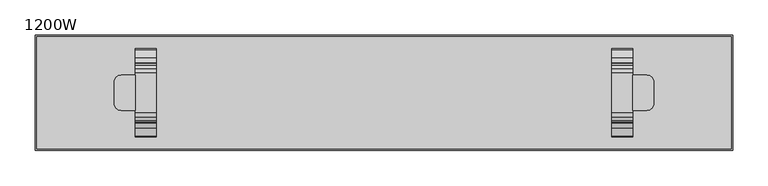
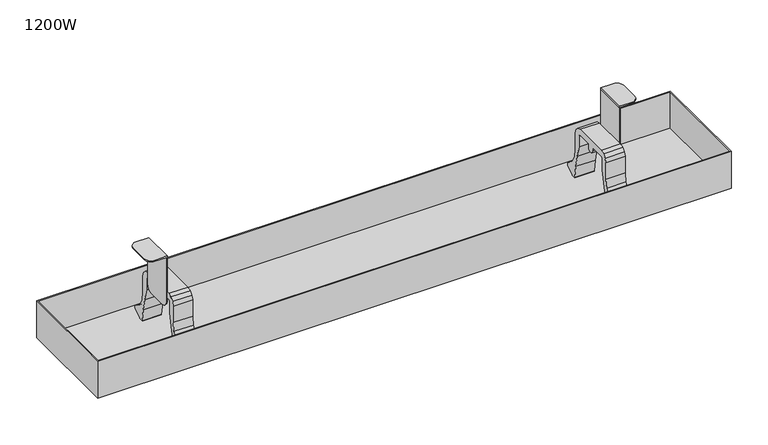
"""IFC4 building model written with IfcOpenShell, lengths in millimetres: furniture geometry, 1200W."""

from ifc_helpers import new_model, si_unit, point, frame, frame_2d, origin, place, context, project, spatial, polyline, circle_curve, trimmed, segment, composite_curve, outline, extrude, faceted_brep, source, transform, mapped, element, save
from ifc_brep_helpers import plane_surface, cylinder_surface, advanced_brep


def furniture_1200w_93fec7a2(model_context):
    return source(origin(), model_context, "Body", "SolidModel", [
        extrude(outline(composite_curve([segment(polyline([(28.25, 655.6089449), (34.75, 653.8672752), (39.5083302, 649.1089449), (41.25, 642.6089449), (41.25, 615.6089449), (42.9555126, 601.8121279), (49.9457921, 589.7956007), (61.0960118, 581.4929784), (62.5288578, 580.072514), (62.737976, 578.0657663), (61.6287805, 576.3804021), (49.988664, 567.6162242), (49.988664, 564.2297166), (51.9354374, 563.6484872), (53.2695938, 561.9968693), (53.406724, 559.8781409), (52.2966018, 558.0683222), (42.3770369, 549.4873279)]), True, "CONTINUOUS"), segment(trimmed(circle_curve(frame_2d((41.6448692, 550.1324462)), 0.9758316), [point((42.3770369, 549.4873279))], [point((40.6690514, 550.1272622))], False, "CARTESIAN"), True, "CONTINUOUS"), segment(polyline([(40.6690514, 550.1272622), (40.6597451, 551.8790344), (40.8692786, 553.618255), (41.2943712, 555.3176928), (41.9578918, 557.08863), (42.988664, 559.1689888), (42.988664, 567.673425), (39.9005757, 587.3273398), (36.0103541, 606.457322), (31.25, 625.5024109), (31.25, 642.6089449), (30.8480762, 644.1089449), (29.75, 645.2070212), (28.25, 645.6089449), (5.75, 645.6089449), (5.75, 640.6089449), (4.6518477, 637.2291797), (1.7768477, 635.14037), (-1.7768477, 635.14037), (-4.6518477, 637.2291797), (-5.75, 640.6089449), (-5.75, 645.6089449), (-28.25, 645.6089449), (-29.75, 645.2070212), (-30.8480762, 644.1089449), (-31.25, 642.6089449), (-31.25, 625.5024109), (-36.0103541, 606.457322), (-39.9005757, 587.3273398), (-42.988664, 567.673425), (-42.988664, 559.1689888), (-41.9578918, 557.08863), (-41.2943712, 555.3176928), (-40.8692786, 553.618255), (-40.6597451, 551.8790344), (-40.6690514, 550.1272622)]), True, "CONTINUOUS"), segment(trimmed(circle_curve(frame_2d((-41.6448692, 550.1324462)), 0.9758316), [point((-40.6690514, 550.1272622))], [point((-42.3770369, 549.4873279))], False, "CARTESIAN"), True, "CONTINUOUS"), segment(polyline([(-42.3770369, 549.4873279), (-52.2966018, 558.0683222), (-53.406724, 559.8781409), (-53.2695938, 561.9968693), (-51.9354374, 563.6484872), (-49.988664, 564.2297166), (-49.988664, 567.6162242), (-61.6287805, 576.3804021), (-62.737976, 578.0657663), (-62.5288578, 580.072514), (-61.0960118, 581.4929784), (-49.9457921, 589.7956007), (-42.9555126, 601.8121279), (-41.25, 615.6089449), (-41.25, 642.6089449), (-39.5083302, 649.1089449), (-34.75, 653.8672752), (-28.25, 655.6089449), (28.25, 655.6089449)]), True, "CONTINUOUS")], self_intersect=False)), frame((323.0, 0.0, 0.0), z_axis=(1.0, 0.0, 0.0), x_axis=(0.0, 1.0, 0.0)), (0.0, 0.0, 1.0), 30.0),
        extrude(outline(composite_curve([segment(polyline([(28.25, 655.6089449), (34.75, 653.8672752), (39.5083302, 649.1089449), (41.25, 642.6089449), (41.25, 615.6089449), (42.9555126, 601.8121279), (49.9457921, 589.7956007), (61.0960118, 581.4929784), (62.5288578, 580.072514), (62.737976, 578.0657663), (61.6287805, 576.3804021), (49.988664, 567.6162242), (49.988664, 564.2297166), (51.9354374, 563.6484872), (53.2695938, 561.9968693), (53.406724, 559.8781409), (52.2966018, 558.0683222), (42.3770369, 549.4873279)]), True, "CONTINUOUS"), segment(trimmed(circle_curve(frame_2d((41.6448692, 550.1324462)), 0.9758316), [point((42.3770369, 549.4873279))], [point((40.6690514, 550.1272622))], False, "CARTESIAN"), True, "CONTINUOUS"), segment(polyline([(40.6690514, 550.1272622), (40.6597451, 551.8790344), (40.8692786, 553.618255), (41.2943712, 555.3176928), (41.9578918, 557.08863), (42.988664, 559.1689888), (42.988664, 567.673425), (39.9005757, 587.3273398), (36.0103541, 606.457322), (31.25, 625.5024109), (31.25, 642.6089449), (30.8480762, 644.1089449), (29.75, 645.2070212), (28.25, 645.6089449), (5.75, 645.6089449), (5.75, 640.6089449), (4.6518477, 637.2291797), (1.7768477, 635.14037), (-1.7768477, 635.14037), (-4.6518477, 637.2291797), (-5.75, 640.6089449), (-5.75, 645.6089449), (-28.25, 645.6089449), (-29.75, 645.2070212), (-30.8480762, 644.1089449), (-31.25, 642.6089449), (-31.25, 625.5024109), (-36.0103541, 606.457322), (-39.9005757, 587.3273398), (-42.988664, 567.673425), (-42.988664, 559.1689888), (-41.9578918, 557.08863), (-41.2943712, 555.3176928), (-40.8692786, 553.618255), (-40.6597451, 551.8790344), (-40.6690514, 550.1272622)]), True, "CONTINUOUS"), segment(trimmed(circle_curve(frame_2d((-41.6448692, 550.1324462)), 0.9758316), [point((-40.6690514, 550.1272622))], [point((-42.3770369, 549.4873279))], False, "CARTESIAN"), True, "CONTINUOUS"), segment(polyline([(-42.3770369, 549.4873279), (-52.2966018, 558.0683222), (-53.406724, 559.8781409), (-53.2695938, 561.9968693), (-51.9354374, 563.6484872), (-49.988664, 564.2297166), (-49.988664, 567.6162242), (-61.6287805, 576.3804021), (-62.737976, 578.0657663), (-62.5288578, 580.072514), (-61.0960118, 581.4929784), (-49.9457921, 589.7956007), (-42.9555126, 601.8121279), (-41.25, 615.6089449), (-41.25, 642.6089449), (-39.5083302, 649.1089449), (-34.75, 653.8672752), (-28.25, 655.6089449), (28.25, 655.6089449)]), True, "CONTINUOUS")], self_intersect=False)), frame((-353.0, 0.0, 0.0), z_axis=(1.0, 0.0, 0.0), x_axis=(0.0, 1.0, 0.0)), (0.0, 0.0, 1.0), 30.0),
        faceted_brep([(493.0, 80.0, 567.0), (-493.0, 80.0, 567.0), (-493.0, -80.0, 567.0), (493.0, -80.0, 567.0), (493.0, 80.0, 626.0), (-493.0, 80.0, 626.0), (-493.0, -80.0, 626.0), (493.0, -80.0, 626.0), (495.0, -82.0, 626.0), (495.0, 82.0, 626.0), (-495.0, 82.0, 626.0), (-495.0, -82.0, 626.0), (495.0, -82.0, 565.0), (-495.0, -82.0, 565.0), (-495.0, 82.0, 565.0), (495.0, 82.0, 565.0)], [[[0, 1, 2, 3]], [[1, 0, 4, 5]], [[2, 1, 5, 6]], [[3, 2, 6, 7]], [[0, 3, 7, 4]], [[8, 9, 10, 11], [5, 4, 7, 6]], [[12, 13, 14, 15]], [[9, 8, 12, 15]], [[10, 9, 15, 14]], [[11, 10, 14, 13]], [[8, 11, 13, 12]]]),
        extrude(outline(composite_curve([segment(trimmed(circle_curve(frame_2d((373.0, 14.9999998)), 10.0), [point((373.0, 24.9999998))], [point((383.0, 14.9999998))], False, "CARTESIAN"), True, "CONTINUOUS"), segment(polyline([(383.0, 14.9999998), (383.0, -15.0000002)]), True, "CONTINUOUS"), segment(trimmed(circle_curve(frame_2d((373.0, -15.0000002)), 10.0), [point((383.0, -15.0000002))], [point((373.0, -25.0000002))], False, "CARTESIAN"), True, "CONTINUOUS"), segment(polyline([(373.0, -25.0000002), (353.0, -25.0000002), (353.0, 24.9999998), (373.0, 24.9999998)]), True, "CONTINUOUS")], self_intersect=False)), frame((0.0, 0.0, 713.6089449), z_axis=(0.0, 0.0, 1.0), x_axis=(1.0, 0.0, 0.0)), (0.0, 0.0, 1.0), 2.0),
        extrude(outline(polyline([(24.9999998, 640.6089449), (23.6602538, 635.6089449), (19.9999998, 631.9486909), (14.9999998, 630.6089449), (-15.0000002, 630.6089449), (-20.0000002, 631.9486909), (-23.6602542, 635.6089449), (-25.0000002, 640.6089449), (-25.0000002, 715.6089449), (24.9999998, 715.6089449), (24.9999998, 640.6089449)])), frame((353.0, 0.0, 0.0), z_axis=(1.0, 0.0, 0.0), x_axis=(0.0, 1.0, 0.0)), (0.0, 0.0, 1.0), 2.0),
        advanced_brep(
        [(-353.0, 24.9999998, 715.6089449), (-373.0, 24.9999998, 715.6089449), (-383.0, 14.9999998, 715.6089449), (-383.0, -15.0000002, 715.6089449), (-373.0, -25.0000002, 715.6089449), (-353.0, -25.0000002, 715.6089449), (-373.0, -25.0000002, 713.6089449), (-383.0, -15.0000002, 713.6089449), (-383.0, 14.9999998, 713.6089449), (-373.0, 24.9999998, 713.6089449), (-355.0, 24.9999998, 713.6089449), (-355.0, -25.0000002, 713.6089449), (-355.0, -25.0000002, 640.6089449), (-353.0, -25.0000002, 640.6089449), (-353.0, -23.6602542, 635.6089449), (-353.0, -20.0000002, 631.9486909), (-353.0, -15.0000002, 630.6089449), (-353.0, 14.9999998, 630.6089449), (-353.0, 19.9999998, 631.9486909), (-353.0, 23.6602538, 635.6089449), (-353.0, 24.9999998, 640.6089449), (-355.0, 24.9999998, 640.6089449), (-355.0, 23.6602538, 635.6089449), (-355.0, 19.9999998, 631.9486909), (-355.0, 14.9999998, 630.6089449), (-355.0, -15.0000002, 630.6089449), (-355.0, -20.0000002, 631.9486909), (-355.0, -23.6602542, 635.6089449)],
        [
            (0, 1),
            (1, 2, circle_curve(frame((-373.0, 14.9999998, 715.6089449), z_axis=(0.0, 0.0, 1.0), x_axis=(1.0, 0.0, 0.0)), 10.0)),
            (2, 3),
            (3, 4, circle_curve(frame((-373.0, -15.0000002, 715.6089449), z_axis=(0.0, 0.0, 1.0), x_axis=(1.0, 0.0, 0.0)), 10.0)),
            (4, 5),
            (5, 0),
            (6, 7, circle_curve(frame((-373.0, -15.0000002, 713.6089449), z_axis=(0.0, 0.0, -1.0), x_axis=(1.0, 0.0, 0.0)), 10.0)),
            (7, 8),
            (8, 9, circle_curve(frame((-373.0, 14.9999998, 713.6089449), z_axis=(0.0, 0.0, -1.0), x_axis=(1.0, 0.0, 0.0)), 10.0)),
            (9, 10),
            (10, 11),
            (11, 6),
            (2, 8),
            (7, 3),
            (4, 6),
            (11, 12),
            (12, 13),
            (13, 5),
            (13, 14),
            (14, 15),
            (15, 16),
            (16, 17),
            (17, 18),
            (18, 19),
            (19, 20),
            (20, 0),
            (20, 21),
            (21, 10),
            (9, 1),
            (21, 22),
            (22, 23),
            (23, 24),
            (24, 25),
            (25, 26),
            (26, 27),
            (27, 12),
            (27, 14),
            (26, 15),
            (25, 16),
            (24, 17),
            (23, 18),
            (22, 19),
        ],
        [
            plane_surface(frame((-363.0, 14.9999998, 715.6089449), z_axis=(0.0, 0.0, 1.0), x_axis=(0.0, 1.0, 0.0))),
            plane_surface(frame((-363.0, 14.9999998, 713.6089449), z_axis=(0.0, 0.0, -1.0), x_axis=(0.0, -1.0, 0.0))),
            plane_surface(frame((-383.0, 14.9999998, 715.6089449), z_axis=(-1.0, 0.0, 0.0), x_axis=(0.0, 0.0, -1.0))),
            plane_surface(frame((-373.0, -25.0000002, 715.6089449), z_axis=(0.0, -1.0, 0.0), x_axis=(0.0, 0.0, -1.0))),
            plane_surface(frame((-353.0, -25.0000002, 715.6089449), z_axis=(1.0, 0.0, 0.0), x_axis=(0.0, 0.0, -1.0))),
            plane_surface(frame((-353.0, 24.9999998, 715.6089449), z_axis=(0.0, 1.0, 0.0), x_axis=(0.0, 0.0, -1.0))),
            plane_surface(frame((-355.0, 24.9999998, 715.6089449), z_axis=(-1.0, 0.0, 0.0), x_axis=(0.0, 0.0, -1.0))),
            plane_surface(frame((-353.0, -25.0000002, 640.6089449), z_axis=(0.0, -0.9659258262890794, -0.25881904510247955), x_axis=(-1.0, 0.0, 0.0))),
            plane_surface(frame((-353.0, -23.6602542, 635.6089449), z_axis=(0.0, -0.7071067811865787, -0.7071067811865165), x_axis=(-1.0, 0.0, 0.0))),
            plane_surface(frame((-353.0, -20.0000002, 631.9486909), z_axis=(0.0, -0.2588190451025777, -0.9659258262890531), x_axis=(-1.0, 0.0, 0.0))),
            plane_surface(frame((-353.0, -15.0000002, 630.6089449), z_axis=(0.0, 0.0, -1.0), x_axis=(-1.0, 0.0, 0.0))),
            plane_surface(frame((-353.0, 14.9999998, 630.6089449), z_axis=(0.0, 0.2588190451024751, -0.9659258262890805), x_axis=(-1.0, 0.0, 0.0))),
            plane_surface(frame((-353.0, 19.9999998, 631.9486909), z_axis=(0.0, 0.7071067811865112, -0.7071067811865839), x_axis=(-1.0, 0.0, 0.0))),
            plane_surface(frame((-353.0, 23.6602538, 635.6089449), z_axis=(0.0, 0.9659258262890469, -0.2588190451026009), x_axis=(-1.0, 0.0, 0.0))),
            cylinder_surface(frame((-373.0, 14.9999998, 713.6089449), z_axis=(0.0, 0.0, 1.0), x_axis=(1.0, 0.0, 0.0)), 10.0),
            cylinder_surface(frame((-373.0, -15.0000002, 713.6089449), z_axis=(0.0, 0.0, 1.0), x_axis=(1.0, 0.0, 0.0)), 10.0),
        ],
        [
            (0, [[1, 2, 3, 4, 5, 6]]),
            (1, [[7, 8, 9, 10, 11, 12]]),
            (2, [[-3, 13, -8, 14]]),
            (3, [[15, -12, 16, 17, 18, -5]]),
            (4, [[-6, -18, 19, 20, 21, 22, 23, 24, 25, 26]]),
            (5, [[-26, 27, 28, -10, 29, -1]]),
            (6, [[30, 31, 32, 33, 34, 35, 36, -16, -11, -28]]),
            (7, [[-19, -17, -36, 37]]),
            (8, [[-20, -37, -35, 38]]),
            (9, [[-21, -38, -34, 39]]),
            (10, [[-22, -39, -33, 40]]),
            (11, [[-23, -40, -32, 41]]),
            (12, [[-24, -41, -31, 42]]),
            (13, [[-25, -42, -30, -27]]),
            (14, [[-2, -29, -9, -13]]),
            (15, [[-4, -14, -7, -15]]),
        ],
    ),
    ])


if __name__ == "__main__":
    model = new_model("IFC4")
    model_context = context("Model", 3, world=origin())
    ifc_project = project(units=[si_unit("LENGTHUNIT", "METRE", prefix="MILLI")], contexts=[model_context])
    site = spatial("IfcSite", under=ifc_project)
    building = spatial("IfcBuilding", under=site)
    placement = place(None, origin())
    furniture_1200w_shape = furniture_1200w_93fec7a2(model_context)
    element("IfcFurniture", 1, ObjectType="1200W", at=placement, inside=building, context=model_context, shape_type="MappedRepresentation", body=[
        mapped(furniture_1200w_shape, transform((0.0, 0.0, 0.0), x_axis=(1.0, 0.0, 0.0), y_axis=(0.0, 1.0, 0.0), z_axis=(0.0, 0.0, 1.0))),
    ])
    save(model, "model.ifc")
